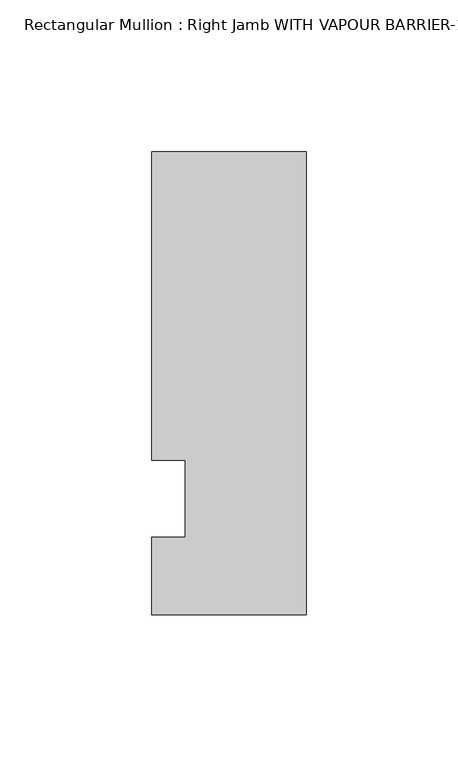
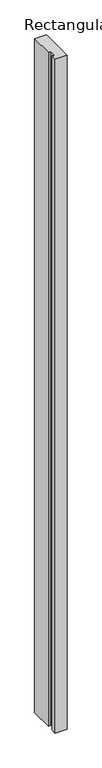
"""IFC4 building model written with IfcOpenShell, lengths in millimetres: member geometry."""

from ifc_helpers import new_model, si_unit, frame, origin, place, context, project, spatial, polyline, outline, extrude, source, transform, mapped, element, save


def member_59979e15(model_context):
    return source(origin(), model_context, "Body", "SweptSolid", [
        extrude(outline(polyline([(-50.8, 120.65), (0.0, 120.65), (0.0, -31.75), (-50.8, -31.75), (-50.8, -6.35), (-39.8272, -6.35), (-39.8272, 19.05), (-50.8, 19.05), (-50.8, 120.65)])), frame((0.0, 0.0, -3048.0), z_axis=(0.0, 0.0, 1.0), x_axis=(1.0, 0.0, 0.0)), (0.0, 0.0, 1.0), 3048.0),
    ])


if __name__ == "__main__":
    model = new_model("IFC4")
    model_context = context("Model", 3, world=origin())
    ifc_project = project(units=[si_unit("LENGTHUNIT", "METRE", prefix="MILLI")], contexts=[model_context])
    site = spatial("IfcSite", under=ifc_project)
    building = spatial("IfcBuilding", under=site)
    placement = place(None, origin())
    member_shape = member_59979e15(model_context)
    element("IfcMember", 1, ObjectType="Rectangular Mullion : Right Jamb WITH VAPOUR BARRIER-1/4\" INFILL-model 3", at=placement, inside=building, context=model_context, shape_type="MappedRepresentation", body=[
        mapped(member_shape, transform((0.0, 0.0, 0.0), x_axis=(1.0, 0.0, 0.0), y_axis=(0.0, 1.0, 0.0), z_axis=(0.0, 0.0, 1.0))),
    ])
    save(model, "model.ifc")
